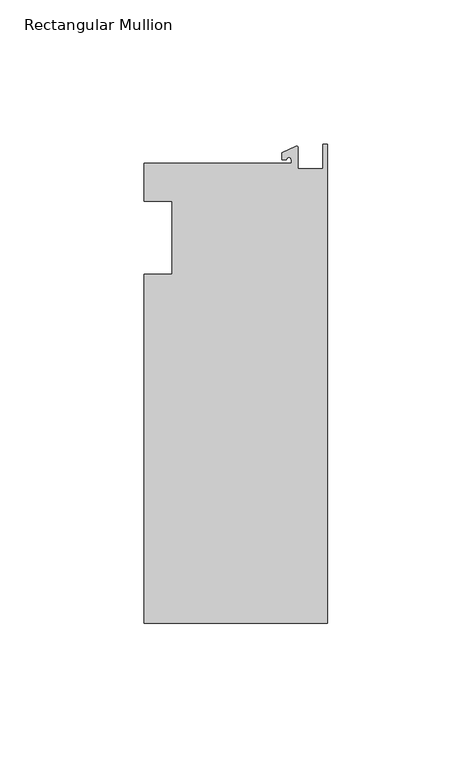
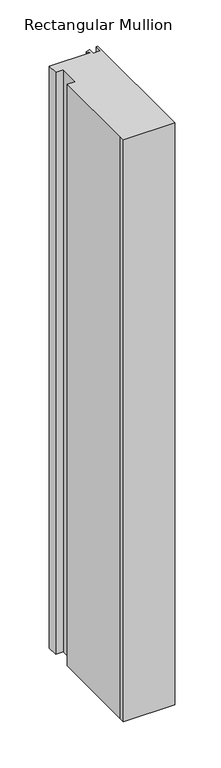
"""IFC4 building model written with IfcOpenShell, lengths in millimetres: member geometry, Rectangular Mullion."""

from ifc_helpers import new_model, si_unit, point, frame, frame_2d, origin, place, context, project, spatial, polyline, circle_curve, trimmed, segment, composite_curve, outline, extrude, source, transform, mapped, element, save


def rectangular_mullion_d97d951e(model_context):
    return source(origin(), model_context, "Body", "SweptSolid", [
        extrude(outline(composite_curve([segment(polyline([(-12.6173814, 25.796875), (-12.6173814, 27.0827507)]), True, "CONTINUOUS"), segment(trimmed(circle_curve(frame_2d((-13.4111314, 27.0827507)), 0.79375), [point((-12.6173814, 27.0827507))], [point((-14.2048814, 27.0827507))], True, "CARTESIAN"), True, "CONTINUOUS"), segment(polyline([(-14.2048814, 27.0827507), (-15.7923814, 27.0827507), (-15.7923814, 29.44495), (-10.9524715, 31.7018371)]), True, "CONTINUOUS"), segment(trimmed(circle_curve(frame_2d((-10.7377814, 31.2414327)), 0.508), [point((-10.9524715, 31.7018371))], [point((-10.2297814, 31.2414327))], False, "CARTESIAN"), True, "CONTINUOUS"), segment(polyline([(-10.2297814, 31.2414327), (-10.2297814, 23.9227662), (-1.7144124, 23.9227662), (-1.5658966, 32.288874), (0.0, 32.288874), (0.0, -133.34365), (-63.5, -133.34365), (-63.5, -125.8114907), (-63.5, -12.7), (-53.975, -12.7), (-53.975, 12.7), (-63.5, 12.7), (-63.5, 25.796875), (-12.6173814, 25.796875)]), True, "CONTINUOUS")], self_intersect=False)), frame((0.0, 0.0, -764.22885), z_axis=(0.0, 0.0, 1.0), x_axis=(1.0, 0.0, 0.0)), (0.0, 0.0, 1.0), 764.22885),
    ])


if __name__ == "__main__":
    model = new_model("IFC4")
    model_context = context("Model", 3, world=origin())
    ifc_project = project(units=[si_unit("LENGTHUNIT", "METRE", prefix="MILLI")], contexts=[model_context])
    site = spatial("IfcSite", under=ifc_project)
    building = spatial("IfcBuilding", under=site)
    placement = place(None, origin())
    rectangular_mullion_shape = rectangular_mullion_d97d951e(model_context)
    element("IfcMember", 1, ObjectType="Rectangular Mullion", at=placement, inside=building, context=model_context, shape_type="MappedRepresentation", body=[
        mapped(rectangular_mullion_shape, transform((0.0, 0.0, 0.0), x_axis=(1.0, 0.0, 0.0), y_axis=(0.0, 1.0, 0.0), z_axis=(0.0, 0.0, 1.0))),
    ])
    save(model, "model.ifc")
